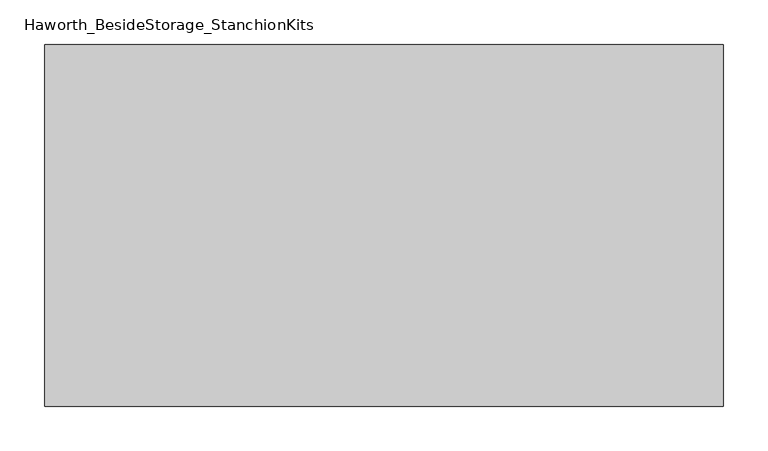
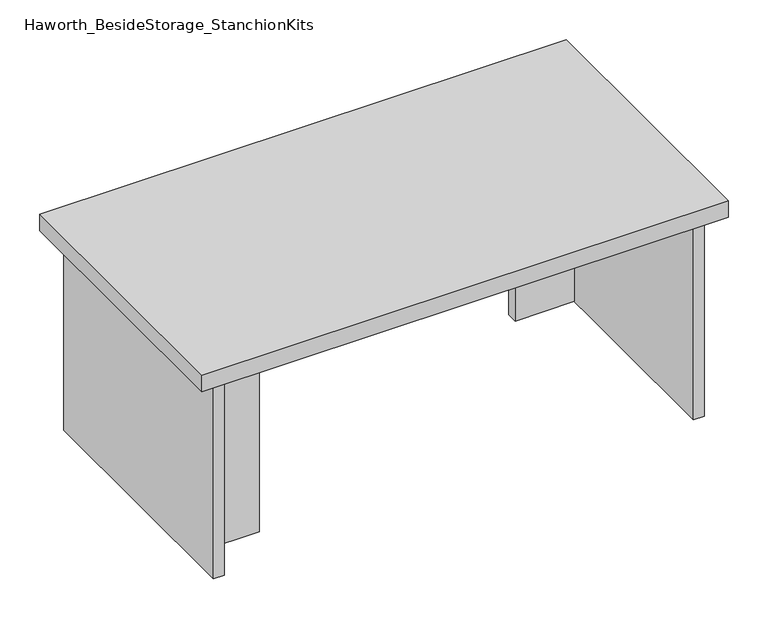
"""IFC4 building model written with IfcOpenShell, lengths in millimetres: furniture geometry, Haworth_BesideStorage_StanchionKits."""

from ifc_helpers import new_model, si_unit, frame, origin, place, context, project, spatial, polyline, outline, extrude, source, transform, mapped, element, save


def haworth_besidestorage_stanchionkits_03cd2fba(model_context):
    return source(origin(), model_context, "Body", "SweptSolid", [
        extrude(outline(polyline([(542.925, 0.0), (542.925, -406.4), (-219.075, -406.4), (-219.075, 0.0), (542.925, 0.0)])), frame((0.0, 0.0, 736.6), z_axis=(0.0, 0.0, 1.0), x_axis=(1.0, 0.0, 0.0)), (0.0, 0.0, 1.0), 25.4),
        extrude(outline(polyline([(415.925, -76.2), (501.65, -76.2), (501.65, -92.075), (415.925, -92.075), (415.925, -76.2)])), frame((0.0, 0.0, 431.8), z_axis=(0.0, 0.0, 1.0), x_axis=(1.0, 0.0, 0.0)), (0.0, 0.0, 1.0), 304.8),
        extrude(outline(polyline([(-92.075, -314.325), (-92.075, -330.2), (-177.8, -330.2), (-177.8, -314.325), (-92.075, -314.325)])), frame((0.0, 0.0, 431.8), z_axis=(0.0, 0.0, 1.0), x_axis=(1.0, 0.0, 0.0)), (0.0, 0.0, 1.0), 304.8),
        extrude(outline(polyline([(517.525, -390.525), (501.65, -390.525), (501.65, -15.875), (517.525, -15.875), (517.525, -390.525)])), frame((0.0, 0.0, 431.8), z_axis=(0.0, 0.0, 1.0), x_axis=(1.0, 0.0, 0.0)), (0.0, 0.0, 1.0), 304.8),
        extrude(outline(polyline([(-177.8, -390.525), (-193.675, -390.525), (-193.675, -15.875), (-177.8, -15.875), (-177.8, -390.525)])), frame((0.0, 0.0, 431.8), z_axis=(0.0, 0.0, 1.0), x_axis=(1.0, 0.0, 0.0)), (0.0, 0.0, 1.0), 304.8),
    ])


if __name__ == "__main__":
    model = new_model("IFC4")
    model_context = context("Model", 3, world=origin())
    ifc_project = project(units=[si_unit("LENGTHUNIT", "METRE", prefix="MILLI")], contexts=[model_context])
    site = spatial("IfcSite", under=ifc_project)
    building = spatial("IfcBuilding", under=site)
    placement = place(None, origin())
    haworth_besidestorage_stanchionkits_shape = haworth_besidestorage_stanchionkits_03cd2fba(model_context)
    element("IfcFurniture", 1, ObjectType="Haworth_BesideStorage_StanchionKits", at=placement, inside=building, context=model_context, shape_type="MappedRepresentation", body=[
        mapped(haworth_besidestorage_stanchionkits_shape, transform((0.0, 0.0, 0.0), x_axis=(1.0, 0.0, 0.0), y_axis=(0.0, 1.0, 0.0), z_axis=(0.0, 0.0, 1.0))),
    ])
    save(model, "model.ifc")
